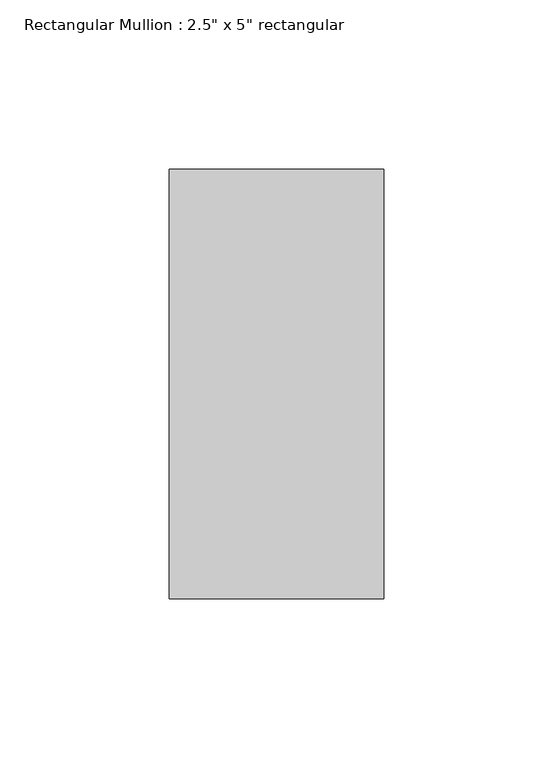
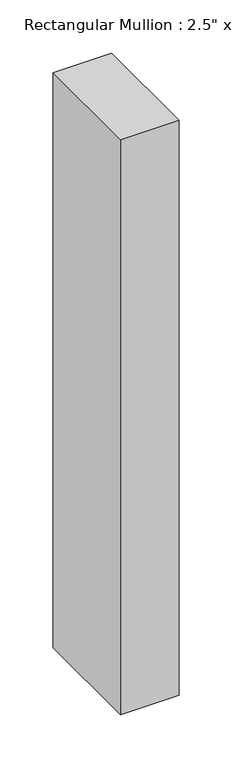
"""IFC4 building model written with IfcOpenShell, lengths in millimetres: member geometry."""

import ifcopenshell
import ifcopenshell.guid

model = None  # the IFC model being written
_history = None  # IfcOwnerHistory: only IFC2X3 demands one
_inside = {}  # id of a spatial element -> (the spatial element, [elements in it])
_under = {}  # id of a project, library or spatial element -> (it, [spatial elements below it])
_declared = {}  # id of a project -> (the project, [libraries it declares])
_typed = {}  # id of a type object -> (the type object, [elements of that type])
_made_of = {}  # id of a material, layer set ... -> (it, [elements and type objects made of it])


def new_model(schema):
    """Start an empty IFC model of exactly this schema.

    Asked for "IFC4X3", IfcOpenShell would pick the latest addendum, in which some entities
    have other attributes; the version numbers below select the first issue.
    IFC2X3 requires an IfcOwnerHistory on every rooted entity: one is made here for all.
    """
    global model, _history
    if schema == "IFC4X3":
        model = ifcopenshell.file(schema_version=(4, 3, 0, 0))
    else:
        model = ifcopenshell.file(schema=schema)
    _inside.clear()
    _under.clear()
    _declared.clear()
    _typed.clear()
    _made_of.clear()
    _history = None
    if model.schema == "IFC2X3":
        org = make("IfcOrganization", Name="unknown")
        user = make(
            "IfcPersonAndOrganization",
            ThePerson=make("IfcPerson", FamilyName="unknown"),
            TheOrganization=org,
        )
        app = make(
            "IfcApplication",
            ApplicationDeveloper=org,
            Version="unknown",
            ApplicationFullName="unknown",
            ApplicationIdentifier="unknown",
        )
        _history = make(
            "IfcOwnerHistory",
            OwningUser=user,
            OwningApplication=app,
            ChangeAction="ADDED",
            CreationDate=0,
        )
    return model


def make(cls, **values):
    """One entity of the class cls with the attributes given. An attribute that is None is left unset."""
    return model.create_entity(
        cls, **{name: value for name, value in values.items() if value is not None}
    )


def rooted(cls, **values):
    """An entity with a GlobalId (a new one), such as an element, a storey or a relation."""
    return make(cls, GlobalId=ifcopenshell.guid.new(), OwnerHistory=_history, **values)


def si_unit(unit_type, name, prefix=None):
    """IfcSIUnit, for example si_unit("LENGTHUNIT", "METRE", prefix="MILLI")."""
    return make("IfcSIUnit", UnitType=unit_type, Prefix=prefix, Name=name)


def assignment(units):
    """IfcUnitAssignment: the units of a project."""
    return None if units is None else make("IfcUnitAssignment", Units=units)


def point(xyz):
    """IfcCartesianPoint."""
    return None if xyz is None else make("IfcCartesianPoint", Coordinates=xyz)


def direction(xyz):
    """IfcDirection."""
    return None if xyz is None else make("IfcDirection", DirectionRatios=xyz)


def frame(location, z_axis=None, x_axis=None):
    """IfcAxis2Placement3D, a coordinate frame: its origin and axes. An axis left out is left unset."""
    return make(
        "IfcAxis2Placement3D",
        Location=point(location),
        Axis=direction(z_axis),
        RefDirection=direction(x_axis),
    )


def origin():
    """The frame at (0, 0, 0) with its axes left unset."""
    return frame((0.0, 0.0, 0.0))


def place(relative_to, where):
    """IfcLocalPlacement: puts the frame where relative to a parent placement (None: the world)."""
    return make(
        "IfcLocalPlacement", PlacementRelTo=relative_to, RelativePlacement=where
    )


def context(
    kind, dimensions, precision=None, world=None, true_north=None, identifier=None
):
    """IfcGeometricRepresentationContext, for example the 3D "Model" context."""
    return make(
        "IfcGeometricRepresentationContext",
        ContextIdentifier=identifier,
        ContextType=kind,
        CoordinateSpaceDimension=dimensions,
        Precision=precision,
        WorldCoordinateSystem=world,
        TrueNorth=true_north,
    )


def project(units=None, contexts=None):
    """IfcProject with its units and contexts."""
    return rooted(
        "IfcProject",
        Name="project",
        RepresentationContexts=contexts,
        UnitsInContext=assignment(units),
    )


def spatial(cls, under=None, at=None, **own):
    """A site, building, storey or space (cls), placed at a placement, below another one or the project."""
    s = rooted(cls, ObjectPlacement=at, **own)
    if under is not None:
        _under.setdefault(under.id(), (under, []))[1].append(s)
    return s


def polyline(points):
    """IfcPolyline through the points."""
    return make("IfcPolyline", Points=[point(p) for p in points])


def outline(outer, holes=None, kind="AREA"):
    """IfcArbitraryClosedProfileDef: a profile drawn as a closed curve; with holes, ...WithVoids."""
    if holes is None:
        return make("IfcArbitraryClosedProfileDef", ProfileType=kind, OuterCurve=outer)
    return make(
        "IfcArbitraryProfileDefWithVoids",
        ProfileType=kind,
        OuterCurve=outer,
        InnerCurves=holes,
    )


def extrude(swept, where, along, depth):
    """IfcExtrudedAreaSolid: the profile swept, set in the frame where, extruded along a direction by depth."""
    return make(
        "IfcExtrudedAreaSolid",
        SweptArea=swept,
        Position=where,
        ExtrudedDirection=direction(along),
        Depth=depth,
    )


def shape(context_of_items, identifier, shape_type, items):
    """IfcShapeRepresentation: the items that make up one representation, for example the "Body"."""
    return make(
        "IfcShapeRepresentation",
        ContextOfItems=context_of_items,
        RepresentationIdentifier=identifier,
        RepresentationType=shape_type,
        Items=items,
    )


def source(mapping_origin, context_of_items, identifier, shape_type, items):
    """IfcRepresentationMap: a shape defined once, which mapped items show again and again."""
    return make(
        "IfcRepresentationMap",
        MappingOrigin=mapping_origin,
        MappedRepresentation=shape(context_of_items, identifier, shape_type, items),
    )


def transform(
    local_origin,
    x_axis=None,
    y_axis=None,
    z_axis=None,
    scale=None,
    scale2=None,
    scale3=None,
    uniform=True,
):
    """IfcCartesianTransformationOperator3D, or its non-uniform kind. x_axis, y_axis, z_axis: its Axis1, 2, 3."""
    if uniform:
        return make(
            "IfcCartesianTransformationOperator3D",
            Axis1=direction(x_axis),
            Axis2=direction(y_axis),
            LocalOrigin=point(local_origin),
            Scale=scale,
            Axis3=direction(z_axis),
        )
    return make(
        "IfcCartesianTransformationOperator3DnonUniform",
        Axis1=direction(x_axis),
        Axis2=direction(y_axis),
        LocalOrigin=point(local_origin),
        Scale=scale,
        Axis3=direction(z_axis),
        Scale2=scale2,
        Scale3=scale3,
    )


def mapped(mapping_source, mapping_target):
    """IfcMappedItem: shows the shape of a source again, moved by a transform."""
    return make(
        "IfcMappedItem", MappingSource=mapping_source, MappingTarget=mapping_target
    )


def made_of(thing, what):
    """Note that an element or type object is made of a material, layer set ...; save() writes the relation."""
    if what is not None:
        _made_of.setdefault(what.id(), (what, []))[1].append(thing)
    return thing


def element(
    cls,
    number,
    at=None,
    inside=None,
    cuts=None,
    type_object=None,
    material=None,
    context=None,
    identifier="Body",
    shape_type=None,
    held_by="IfcProductDefinitionShape",
    body=None,
    shapes=None,
    **own,
):
    """One element of the class cls, such as IfcWall. Its Tag is "e" and its number.

    at: its placement. inside: the storey or other place that contains it. cuts: it is an
    opening in that element (IfcRelVoidsElement). A single representation is given by context,
    identifier, shape_type and body (its items); several are given by shapes. held_by: the class
    of the entity that holds the representations. save() writes the other relations.
    """
    e = rooted(cls, Tag="e%d" % number, ObjectPlacement=at, **own)
    if body is not None:
        shapes = [shape(context, identifier, shape_type, body)]
    if shapes is not None:
        e.Representation = make(held_by, Representations=shapes)
    if inside is not None:
        _inside.setdefault(inside.id(), (inside, []))[1].append(e)
    if cuts is not None:
        rooted(
            "IfcRelVoidsElement", RelatingBuildingElement=cuts, RelatedOpeningElement=e
        )
    if type_object is not None:
        _typed.setdefault(type_object.id(), (type_object, []))[1].append(e)
    return made_of(e, material)


def aggregate(whole, parts):
    """IfcRelAggregates: a whole, such as a stair, and the parts it consists of."""
    return rooted("IfcRelAggregates", RelatingObject=whole, RelatedObjects=parts)


def save(model, path):
    """Write the relations noted so far, then the file.

    IfcRelAggregates (storeys below a building ...), IfcRelContainedInSpatialStructure (elements
    in a storey), IfcRelDefinesByType, IfcRelAssociatesMaterial and IfcRelDeclares: one each for
    every whole, place, type object, material and project.
    """
    for whole, parts in _under.values():
        aggregate(whole, parts)
    for where, things in _inside.values():
        rooted(
            "IfcRelContainedInSpatialStructure",
            RelatedElements=things,
            RelatingStructure=where,
        )
    for kind, things in _typed.values():
        rooted("IfcRelDefinesByType", RelatedObjects=things, RelatingType=kind)
    for what, things in _made_of.values():
        rooted("IfcRelAssociatesMaterial", RelatedObjects=things, RelatingMaterial=what)
    for by, libraries in _declared.values():
        rooted("IfcRelDeclares", RelatingContext=by, RelatedDefinitions=libraries)
    model.write(path)


def member_d3852687(model_context):
    return source(origin(), model_context, "Body", "SweptSolid", [
        extrude(outline(polyline([(0.0, 63.5), (0.0, -63.5), (-63.5, -63.5), (-63.5, 63.5), (0.0, 63.5)])), frame((0.0, 0.0, -660.4), z_axis=(0.0, 0.0, 1.0), x_axis=(1.0, 0.0, 0.0)), (0.0, 0.0, 1.0), 660.4),
    ])


if __name__ == "__main__":
    model = new_model("IFC4")
    model_context = context("Model", 3, world=origin())
    ifc_project = project(units=[si_unit("LENGTHUNIT", "METRE", prefix="MILLI")], contexts=[model_context])
    site = spatial("IfcSite", under=ifc_project)
    building = spatial("IfcBuilding", under=site)
    placement = place(None, origin())
    member_shape = member_d3852687(model_context)
    element("IfcMember", 1, ObjectType="Rectangular Mullion : 2.5\" x 5\" rectangular", at=placement, inside=building, context=model_context, shape_type="MappedRepresentation", body=[
        mapped(member_shape, transform((0.0, 0.0, 0.0), x_axis=(1.0, 0.0, 0.0), y_axis=(0.0, 1.0, 0.0), z_axis=(0.0, 0.0, 1.0))),
    ])
    save(model, "model.ifc")
